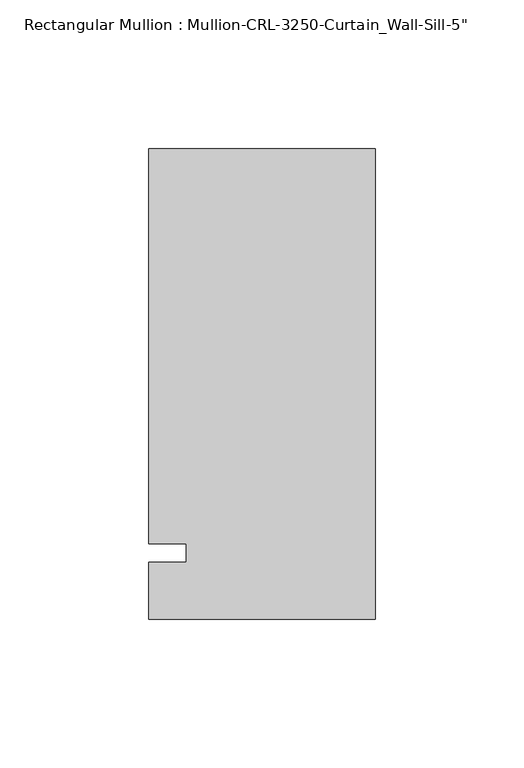
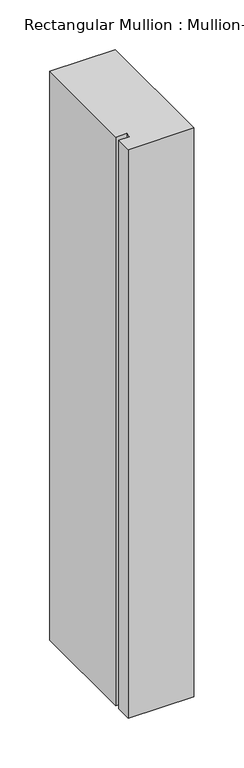
"""IFC4 building model written with IfcOpenShell, lengths in millimetres: member geometry."""

from ifc_helpers import new_model, si_unit, frame, origin, place, context, project, spatial, polyline, outline, extrude, source, transform, mapped, element, save


def member_62544624(model_context):
    return source(origin(), model_context, "Body", "SweptSolid", [
        extrude(outline(polyline([(-76.199997, -3.175), (-63.499997, -3.175), (-63.499997, 3.175), (-76.199997, 3.175), (-76.199997, 136.0175661), (0.0, 136.0175661), (0.0, -22.2254168), (-76.199997, -22.2254168), (-76.199997, -3.175)])), frame((0.0, 0.0, -698.3166731), z_axis=(0.0, 0.0, 1.0), x_axis=(1.0, 0.0, 0.0)), (0.0, 0.0, 1.0), 698.3166731),
    ])


if __name__ == "__main__":
    model = new_model("IFC4")
    model_context = context("Model", 3, world=origin())
    ifc_project = project(units=[si_unit("LENGTHUNIT", "METRE", prefix="MILLI")], contexts=[model_context])
    site = spatial("IfcSite", under=ifc_project)
    building = spatial("IfcBuilding", under=site)
    placement = place(None, origin())
    member_shape = member_62544624(model_context)
    element("IfcMember", 1, ObjectType="Rectangular Mullion : Mullion-CRL-3250-Curtain_Wall-Sill-5\"", at=placement, inside=building, context=model_context, shape_type="MappedRepresentation", body=[
        mapped(member_shape, transform((0.0, 0.0, 0.0), x_axis=(1.0, 0.0, 0.0), y_axis=(0.0, 1.0, 0.0), z_axis=(0.0, 0.0, 1.0))),
    ])
    save(model, "model.ifc")
